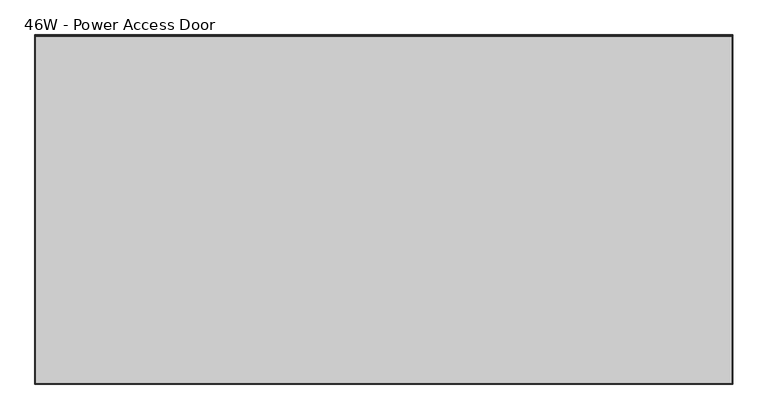
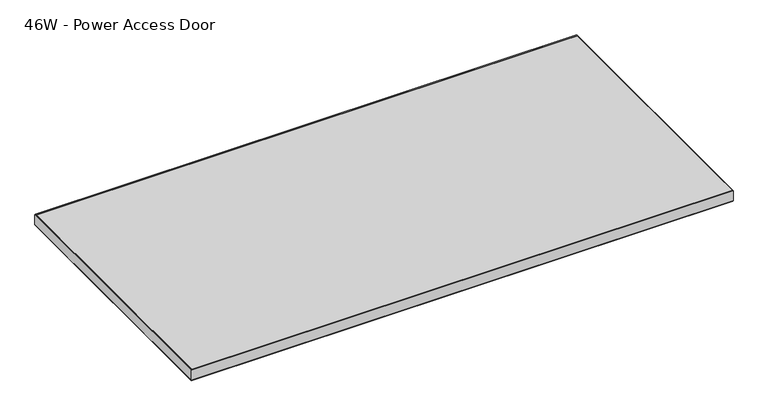
"""IFC4 building model written with IfcOpenShell, lengths in millimetres: furniture geometry, 46W - Power Access Door."""

from ifc_helpers import new_model, si_unit, frame, origin, place, context, project, spatial, polyline, outline, extrude, faceted_brep, source, transform, mapped, element, save


def furniture_46w_power_access_door_7c1704f4(model_context):
    return source(origin(), model_context, "Body", "SolidModel", [
        faceted_brep([(-736.6, 299.199999, 760.0949564), (431.8, 299.199999, 760.0949564), (431.5794226, 298.9794217, 758.844), (-736.3794226, 298.9794217, 758.844), (-736.6, 299.199999, 782.5740349), (431.8, 299.199999, 782.5740349), (-736.421518, 299.0215171, 783.844), (431.621518, 299.0215171, 783.844), (431.8, -284.9999273, 760.0949564), (431.5794226, -284.77935, 758.844), (431.8, -284.9999273, 782.5740349), (431.621518, -284.8214454, 783.844), (430.784001, -283.9839283, 783.844), (430.784001, 296.1527419, 783.844), (430.784001, 296.1527419, 758.844), (430.784001, -283.9839283, 758.844), (-736.6, -284.9999273, 760.0949564), (-736.3794226, -284.77935, 758.844), (-736.6, -284.9999273, 782.5740349), (-736.421518, -284.8214454, 783.844), (-735.584001, -283.9839283, 758.844), (-735.584001, -283.9839283, 783.844), (-735.584001, 296.1527419, 758.844), (-735.584001, 296.1527419, 783.844)], [[[0, 1, 2, 3]], [[0, 4, 5, 1]], [[4, 6, 7, 5]], [[1, 8, 9, 2]], [[5, 10, 8, 1]], [[7, 11, 10, 5]], [[12, 13, 14, 15]], [[8, 16, 17, 9]], [[10, 18, 16, 8]], [[11, 19, 18, 10]], [[15, 20, 21, 12]], [[2, 9, 17, 3], [15, 14, 22, 20]], [[3, 17, 16, 0]], [[0, 16, 18, 4]], [[4, 18, 19, 6]], [[6, 19, 11, 7], [21, 23, 13, 12]], [[20, 22, 23, 21]], [[14, 13, 23, 22]]]),
        extrude(outline(polyline([(430.784001, -283.9839283), (-735.584001, -283.9839283), (-735.584001, 296.1527419), (430.784001, 296.1527419), (430.784001, -283.9839283)])), frame((0.0, 0.0, 758.844), z_axis=(0.0, 0.0, 1.0), x_axis=(1.0, 0.0, 0.0)), (0.0, 0.0, 1.0), 25.0),
    ])


if __name__ == "__main__":
    model = new_model("IFC4")
    model_context = context("Model", 3, world=origin())
    ifc_project = project(units=[si_unit("LENGTHUNIT", "METRE", prefix="MILLI")], contexts=[model_context])
    site = spatial("IfcSite", under=ifc_project)
    building = spatial("IfcBuilding", under=site)
    placement = place(None, origin())
    furniture_46w_power_access_door_shape = furniture_46w_power_access_door_7c1704f4(model_context)
    element("IfcFurniture", 1, ObjectType="46W - Power Access Door", at=placement, inside=building, context=model_context, shape_type="MappedRepresentation", body=[
        mapped(furniture_46w_power_access_door_shape, transform((0.0, 0.0, 0.0), x_axis=(1.0, 0.0, 0.0), y_axis=(0.0, 1.0, 0.0), z_axis=(0.0, 0.0, 1.0))),
    ])
    save(model, "model.ifc")
